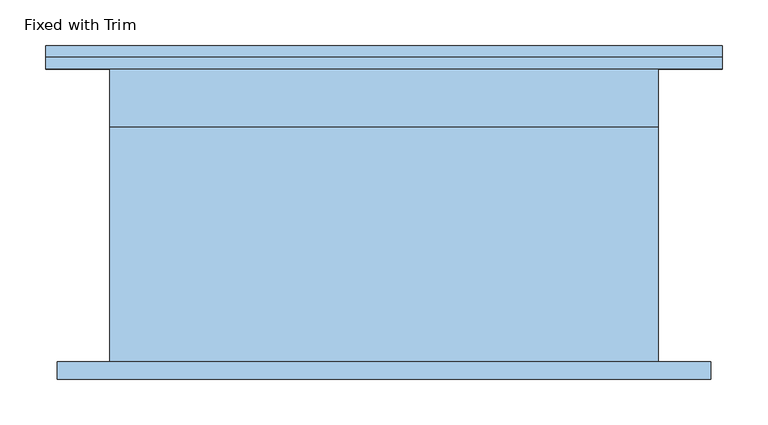
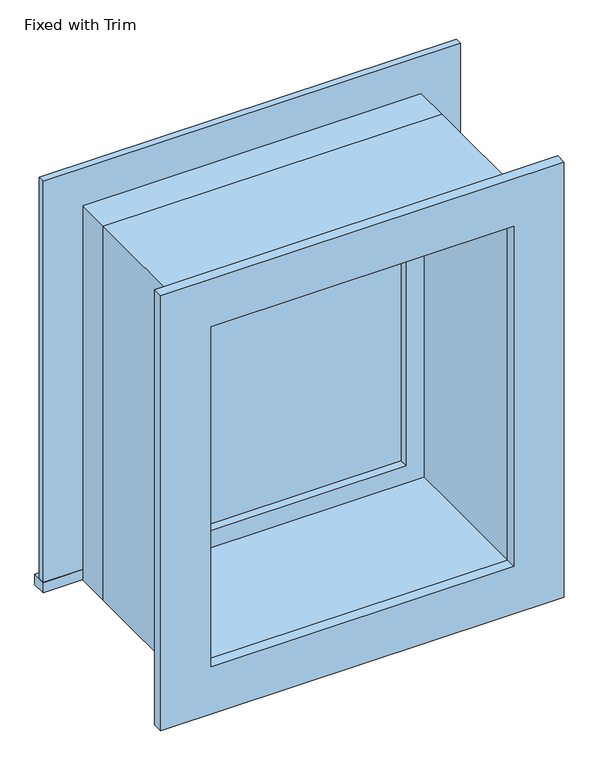
"""IFC4 building model written with IfcOpenShell, lengths in millimetres: window geometry, Fixed with Trim."""

from ifc_helpers import new_model, si_unit, frame, origin, place, context, project, spatial, polyline, outline, extrude, source, transform, mapped, element, save


def fixed_with_trim_601a8c36(model_context):
    return source(origin(), model_context, "Body", "SweptSolid", [
        extrude(outline(polyline([(-407.95, 185.4), (331.75, 185.4), (331.75, 160.0), (-407.95, 160.0), (-407.95, 185.4)])), frame((0.0, 0.0, 914.4), z_axis=(0.0, 0.0, 1.0), x_axis=(1.0, 0.0, 0.0)), (0.0, 0.0, 1.0), 19.05),
        extrude(outline(polyline([(1595.35, -319.05), (1595.35, 242.85), (933.45, 242.85), (933.45, 331.75), (1684.25, 331.75), (1684.25, -407.95), (933.45, -407.95), (933.45, -319.05), (1595.35, -319.05)])), frame((0.0, 160.0, 0.0), z_axis=(0.0, 1.0, 0.0), x_axis=(0.0, 0.0, 1.0)), (0.0, 0.0, 1.0), 12.7),
        extrude(outline(polyline([(1671.55, 319.05), (1671.55, -395.25), (857.25, -395.25), (857.25, 319.05), (1671.55, 319.05)]), holes=[polyline([(1582.65, 230.15), (946.15, 230.15), (946.15, -306.35), (1582.65, -306.35), (1582.65, 230.15)])]), frame((0.0, -179.05, 0.0), z_axis=(0.0, 1.0, 0.0), x_axis=(0.0, 0.0, 1.0)), (0.0, 0.0, 1.0), 19.05),
        extrude(outline(polyline([(198.4, 112.375), (-274.6, 112.375), (-274.6, 125.075), (198.4, 125.075), (198.4, 112.375)])), frame((0.0, 0.0, 977.9), z_axis=(0.0, 0.0, 1.0), x_axis=(1.0, 0.0, 0.0)), (0.0, 0.0, 1.0), 573.0),
        extrude(outline(polyline([(1595.35, -319.05), (933.45, -319.05), (933.45, 242.85), (1595.35, 242.85), (1595.35, -319.05)]), holes=[polyline([(1550.9, -274.6), (1550.9, 198.4), (977.9, 198.4), (977.9, -274.6), (1550.9, -274.6)])]), frame((0.0, 96.5, 0.0), z_axis=(0.0, 1.0, 0.0), x_axis=(0.0, 0.0, 1.0)), (0.0, 0.0, 1.0), 44.45),
        extrude(outline(polyline([(1614.4, -338.1), (914.4, -338.1), (914.4, 261.9), (1614.4, 261.9), (1614.4, -338.1)]), holes=[polyline([(1582.65, -306.35), (1582.65, 230.15), (946.15, 230.15), (946.15, -306.35), (1582.65, -306.35)])]), frame((0.0, -160.0, 0.0), z_axis=(0.0, 1.0, 0.0), x_axis=(0.0, 0.0, 1.0)), (0.0, 0.0, 1.0), 256.5),
        extrude(outline(polyline([(1614.4, 261.9), (1614.4, -338.1), (914.4, -338.1), (914.4, 261.9), (1614.4, 261.9)]), holes=[polyline([(1595.35, 242.85), (933.45, 242.85), (933.45, -319.05), (1595.35, -319.05), (1595.35, 242.85)])]), frame((0.0, 96.5, 0.0), z_axis=(0.0, 1.0, 0.0), x_axis=(0.0, 0.0, 1.0)), (0.0, 0.0, 1.0), 63.5),
    ])


if __name__ == "__main__":
    model = new_model("IFC4")
    model_context = context("Model", 3, world=origin())
    ifc_project = project(units=[si_unit("LENGTHUNIT", "METRE", prefix="MILLI")], contexts=[model_context])
    site = spatial("IfcSite", under=ifc_project)
    building = spatial("IfcBuilding", under=site)
    placement = place(None, origin())
    fixed_with_trim_shape = fixed_with_trim_601a8c36(model_context)
    element("IfcWindow", 1, ObjectType="Fixed with Trim", at=placement, inside=building, context=model_context, shape_type="MappedRepresentation", body=[
        mapped(fixed_with_trim_shape, transform((0.0, 0.0, 0.0), x_axis=(1.0, 0.0, 0.0), y_axis=(0.0, 1.0, 0.0), z_axis=(0.0, 0.0, 1.0))),
    ])
    save(model, "model.ifc")
